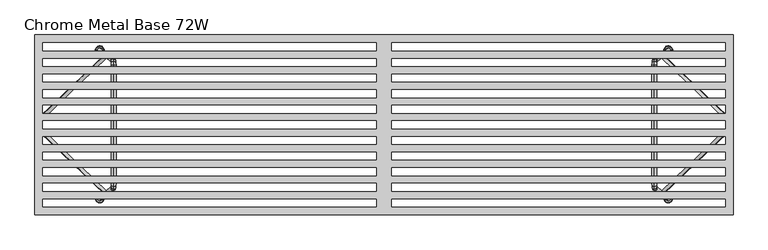
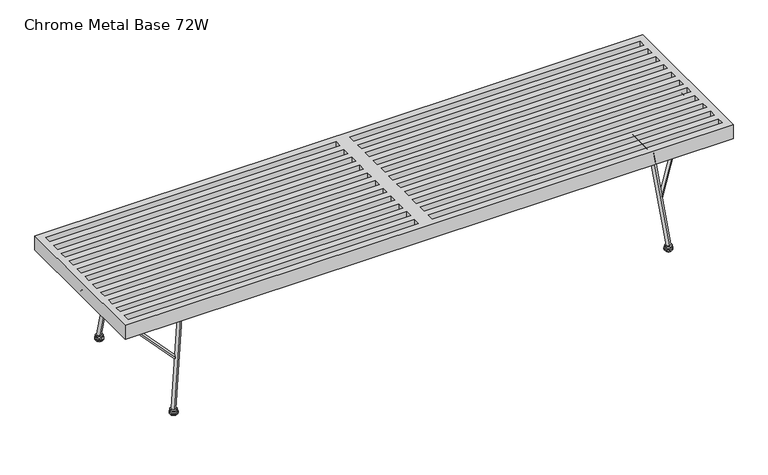
"""IFC4 building model written with IfcOpenShell, lengths in millimetres: furniture geometry, Chrome Metal Base 72W."""

from ifc_helpers import new_model, si_unit, frame, origin, place, context, project, spatial, polyline, circle_curve, ellipse_curve, outline, extrude, source, transform, mapped, element, save
from ifc_brep_helpers import plane_surface, cylinder_surface, revolved_surface, advanced_brep


def chrome_metal_base_72w_361aa959(model_context):
    return source(origin(), model_context, "Body", "SolidModel", [
        advanced_brep(
        [(744.3634341, 194.7783051, 14.6049997), (734.3434879, 194.7783051, 14.6049997), (754.3833803, 194.7783051, 14.6049997), (754.3833803, 194.7783051, 0.0), (734.3434879, 194.7783051, 0.0), (744.3634341, 194.7783051, 0.0), (756.2399712, 194.7783051, 2.998938), (732.4868971, 194.7783051, 2.998938), (756.2399712, 194.7783051, 6.526062), (732.4868971, 194.7783051, 6.526062), (754.3833803, 194.7783051, 9.525), (734.3434879, 194.7783051, 9.525)],
        [
            (0, 1),
            (1, 2, circle_curve(frame((744.3634341, 194.7783051, 14.6049997), z_axis=(0.0, 0.0, 1.0), x_axis=(-1.0, 0.0, 0.0)), 10.0199462)),
            (2, 0),
            (2, 1, circle_curve(frame((744.3634341, 194.7783051, 14.6049997), z_axis=(0.0, 0.0, 1.0), x_axis=(-1.0, 0.0, 0.0)), 10.0199462)),
            (3, 4, circle_curve(frame((744.3634341, 194.7783051, 0.0), z_axis=(0.0, 0.0, -1.0), x_axis=(-1.0, 0.0, 0.0)), 10.0199462)),
            (4, 5),
            (5, 3),
            (4, 3, circle_curve(frame((744.3634341, 194.7783051, 0.0), z_axis=(0.0, 0.0, -1.0), x_axis=(-1.0, 0.0, 0.0)), 10.0199462)),
            (6, 7, circle_curve(frame((744.3634341, 194.7783051, 2.998938), z_axis=(0.0, 0.0, -1.0), x_axis=(-1.0, 0.0, 0.0)), 11.8765371)),
            (7, 4),
            (3, 6),
            (7, 6, circle_curve(frame((744.3634341, 194.7783051, 2.998938), z_axis=(0.0, 0.0, -1.0), x_axis=(-1.0, 0.0, 0.0)), 11.8765371)),
            (8, 9, circle_curve(frame((744.3634341, 194.7783051, 6.526062), z_axis=(0.0, 0.0, -1.0), x_axis=(-1.0, 0.0, 0.0)), 11.8765371)),
            (9, 7),
            (6, 8),
            (9, 8, circle_curve(frame((744.3634341, 194.7783051, 6.526062), z_axis=(0.0, 0.0, -1.0), x_axis=(-1.0, 0.0, 0.0)), 11.8765371)),
            (10, 11, circle_curve(frame((744.3634341, 194.7783051, 9.525), z_axis=(0.0, 0.0, -1.0), x_axis=(-1.0, 0.0, 0.0)), 10.0199462)),
            (11, 9),
            (8, 10),
            (11, 10, circle_curve(frame((744.3634341, 194.7783051, 9.525), z_axis=(0.0, 0.0, -1.0), x_axis=(-1.0, 0.0, 0.0)), 10.0199462)),
            (1, 11),
            (10, 2),
        ],
        [
            plane_surface(frame((744.3634341, 194.7783051, 14.6049997), z_axis=(0.0, 0.0, 1.0), x_axis=(-1.0, 0.0, 0.0))),
            plane_surface(frame((744.3634341, 194.7783051, 0.0), z_axis=(0.0, 0.0, -1.0), x_axis=(-1.0, 0.0, 0.0))),
            revolved_surface(polyline([(734.3434879, 194.7783051, 0.0), (732.4868971, 194.7783051, 2.998938)]), (744.3634341, 194.7783051, 0.0), (0.0, 0.0, 1.0)),
            cylinder_surface(frame((744.3634341, 194.7783051, 0.0), z_axis=(0.0, 0.0, 1.0), x_axis=(-1.0, 0.0, 0.0)), 11.8765371),
            revolved_surface(polyline([(732.4868971, 194.7783051, 6.526062), (734.3434879, 194.7783051, 9.525)]), (744.3634341, 194.7783051, 0.0), (0.0, 0.0, 1.0)),
            cylinder_surface(frame((744.3634341, 194.7783051, 0.0), z_axis=(0.0, 0.0, 1.0), x_axis=(-1.0, 0.0, 0.0)), 10.0199462),
        ],
        [
            (0, [[1, 2, 3]]),
            (0, [[-3, 4, -1]]),
            (1, [[5, 6, 7]]),
            (1, [[8, -7, -6]]),
            (2, [[9, 10, -5, 11]]),
            (2, [[12, -11, -8, -10]]),
            (3, [[13, 14, -9, 15]]),
            (3, [[16, -15, -12, -14]]),
            (4, [[17, 18, -13, 19]]),
            (4, [[20, -19, -16, -18]]),
            (5, [[-2, 21, -17, 22]]),
            (5, [[-4, -22, -20, -21]]),
        ],
    ),
        advanced_brep(
        [(744.3634341, -192.8764849, 14.6049997), (734.3434879, -192.8764849, 14.6049997), (754.3833803, -192.8764849, 14.6049997), (754.3833803, -192.8764849, 0.0), (734.3434879, -192.8764849, 0.0), (744.3634341, -192.8764849, 0.0), (756.2399712, -192.8764849, 2.998938), (732.4868971, -192.8764849, 2.998938), (756.2399712, -192.8764849, 6.526062), (732.4868971, -192.8764849, 6.526062), (754.3833803, -192.8764849, 9.525), (734.3434879, -192.8764849, 9.525)],
        [
            (0, 1),
            (1, 2, circle_curve(frame((744.3634341, -192.8764849, 14.6049997), z_axis=(0.0, 0.0, 1.0), x_axis=(-1.0, 0.0, 0.0)), 10.0199462)),
            (2, 0),
            (2, 1, circle_curve(frame((744.3634341, -192.8764849, 14.6049997), z_axis=(0.0, 0.0, 1.0), x_axis=(-1.0, 0.0, 0.0)), 10.0199462)),
            (3, 4, circle_curve(frame((744.3634341, -192.8764849, 0.0), z_axis=(0.0, 0.0, -1.0), x_axis=(-1.0, 0.0, 0.0)), 10.0199462)),
            (4, 5),
            (5, 3),
            (4, 3, circle_curve(frame((744.3634341, -192.8764849, 0.0), z_axis=(0.0, 0.0, -1.0), x_axis=(-1.0, 0.0, 0.0)), 10.0199462)),
            (6, 7, circle_curve(frame((744.3634341, -192.8764849, 2.998938), z_axis=(0.0, 0.0, -1.0), x_axis=(-1.0, 0.0, 0.0)), 11.8765371)),
            (7, 4),
            (3, 6),
            (7, 6, circle_curve(frame((744.3634341, -192.8764849, 2.998938), z_axis=(0.0, 0.0, -1.0), x_axis=(-1.0, 0.0, 0.0)), 11.8765371)),
            (8, 9, circle_curve(frame((744.3634341, -192.8764849, 6.526062), z_axis=(0.0, 0.0, -1.0), x_axis=(-1.0, 0.0, 0.0)), 11.8765371)),
            (9, 7),
            (6, 8),
            (9, 8, circle_curve(frame((744.3634341, -192.8764849, 6.526062), z_axis=(0.0, 0.0, -1.0), x_axis=(-1.0, 0.0, 0.0)), 11.8765371)),
            (10, 11, circle_curve(frame((744.3634341, -192.8764849, 9.525), z_axis=(0.0, 0.0, -1.0), x_axis=(-1.0, 0.0, 0.0)), 10.0199462)),
            (11, 9),
            (8, 10),
            (11, 10, circle_curve(frame((744.3634341, -192.8764849, 9.525), z_axis=(0.0, 0.0, -1.0), x_axis=(-1.0, 0.0, 0.0)), 10.0199462)),
            (1, 11),
            (10, 2),
        ],
        [
            plane_surface(frame((744.3634341, -192.8764849, 14.6049997), z_axis=(0.0, 0.0, 1.0), x_axis=(-1.0, 0.0, 0.0))),
            plane_surface(frame((744.3634341, -192.8764849, 0.0), z_axis=(0.0, 0.0, -1.0), x_axis=(-1.0, 0.0, 0.0))),
            revolved_surface(polyline([(734.3434879, -192.8764849, 0.0), (732.4868971, -192.8764849, 2.998938)]), (744.3634341, -192.8764849, 0.0), (0.0, 0.0, 1.0)),
            cylinder_surface(frame((744.3634341, -192.8764849, 0.0), z_axis=(0.0, 0.0, 1.0), x_axis=(-1.0, 0.0, 0.0)), 11.8765371),
            revolved_surface(polyline([(732.4868971, -192.8764849, 6.526062), (734.3434879, -192.8764849, 9.525)]), (744.3634341, -192.8764849, 0.0), (0.0, 0.0, 1.0)),
            cylinder_surface(frame((744.3634341, -192.8764849, 0.0), z_axis=(0.0, 0.0, 1.0), x_axis=(-1.0, 0.0, 0.0)), 10.0199462),
        ],
        [
            (0, [[1, 2, 3]]),
            (0, [[-3, 4, -1]]),
            (1, [[5, 6, 7]]),
            (1, [[8, -7, -6]]),
            (2, [[9, 10, -5, 11]]),
            (2, [[12, -11, -8, -10]]),
            (3, [[13, 14, -9, 15]]),
            (3, [[16, -15, -12, -14]]),
            (4, [[17, 18, -13, 19]]),
            (4, [[20, -19, -16, -18]]),
            (5, [[-2, 21, -17, 22]]),
            (5, [[-4, -22, -20, -21]]),
        ],
    ),
        advanced_brep(
        [(730.2497053, -182.2751061, 164.3697765), (726.1171483, -174.5208175, 160.6929747), (730.2497053, 183.910827, 164.3697765), (726.1171483, 176.1565384, 160.6929747), (895.4495704, -12.8406609, 311.3507321), (900.1910222, -20.0135711, 315.5692774), (896.1017118, -11.8880043, 311.9309526), (902.5619083, -16.5501495, 317.6786925), (896.3049732, -10.8100889, 312.1117976), (903.4211341, -11.9935897, 318.4431595), (896.3049732, 12.4458234, 312.1117976), (903.4211341, 13.6293288, 318.4431595), (896.1017142, 13.5237217, 311.9309548), (902.5619083, 18.1858705, 317.6786925), (895.4495704, 14.4763818, 311.3507321), (900.1910222, 21.649292, 315.5692774)],
        [
            (0, 1, circle_curve(frame((728.1834268, -178.3979618, 162.5313756), z_axis=(-0.6082140995772889, -0.5807284253286233, -0.5411377875280245), x_axis=(-0.43386361116818506, 0.8140973504534563, -0.3860153764926528)), 4.762507)),
            (1, 0, circle_curve(frame((728.1834268, -178.3979618, 162.5313756), z_axis=(-0.6082140995772889, -0.5807284253286233, -0.5411377875280245), x_axis=(-0.43386361116818506, 0.8140973504534563, -0.3860153764926528)), 4.762507)),
            (2, 3, circle_curve(frame((728.1834268, 180.0336827, 162.5313756), z_axis=(-0.6082140995772779, 0.5807284253286429, -0.5411377875280159), x_axis=(-0.43386361116819955, -0.8140973504534423, -0.38601537649266576)), 4.762507)),
            (3, 2, circle_curve(frame((728.1834268, 180.0336827, 162.5313756), z_axis=(-0.6082140995772779, 0.5807284253286429, -0.5411377875280159), x_axis=(-0.43386361116819955, -0.8140973504534423, -0.38601537649266576)), 4.762507)),
            (1, 4),
            (4, 5, ellipse_curve(frame((897.8202963, -16.427116, 313.4600048), z_axis=(-0.5595311425581404, -0.6626434792452349, -0.49782378400529637), x_axis=(-0.4950625460768481, 0.7489349901118053, -0.44046504521714186)), 4.7887402, 4.762507)),
            (5, 0),
            (5, 4, ellipse_curve(frame((897.8202963, -16.427116, 313.4600048), z_axis=(-0.5595311425581404, -0.6626434792452349, -0.49782378400529637), x_axis=(-0.4950625460768481, 0.7489349901118053, -0.44046504521714186)), 4.7887402, 4.762507)),
            (4, 6),
            (6, 7, ellipse_curve(frame((899.33181, -14.2190769, 314.8048226), z_axis=(-0.3545587600520025, -0.880213172182037, -0.31545658526590026), x_axis=(-0.6576093899047603, 0.4745785198649804, -0.5850855653593355)), 4.9118798, 4.762507)),
            (7, 5),
            (7, 6, ellipse_curve(frame((899.33181, -14.2190769, 314.8048226), z_axis=(-0.3545587600520025, -0.880213172182037, -0.31545658526590026), x_axis=(-0.6576093899047603, 0.4745785198649804, -0.5850855653593355)), 4.9118798, 4.762507)),
            (6, 8),
            (8, 9, ellipse_curve(frame((899.8630536, -11.4018393, 315.2774785), z_axis=(-0.09212049477383784, -0.9923689821921577, -0.08196107384316184), x_axis=(-0.7414012668340134, 0.12330370303807127, -0.6596365350357873)), 4.7991292, 4.762507)),
            (9, 7),
            (9, 8, ellipse_curve(frame((899.8630536, -11.4018393, 315.2774785), z_axis=(-0.09212049477383784, -0.9923689821921577, -0.08196107384316184), x_axis=(-0.7414012668340134, 0.12330370303807127, -0.6596365350357873)), 4.7991292, 4.762507)),
            (8, 10),
            (10, 11, ellipse_curve(frame((899.8630536, 13.0375761, 315.2774785), z_axis=(0.09212084827773159, -0.9923689234002105, 0.08196138836121696), x_axis=(-0.7414012229104072, -0.12330417620464927, -0.6596364959562544)), 4.7991295, 4.762507)),
            (11, 9),
            (11, 10, ellipse_curve(frame((899.8630536, 13.0375761, 315.2774785), z_axis=(0.09212084827773159, -0.9923689234002105, 0.08196138836121696), x_axis=(-0.7414012229104072, -0.12330417620464927, -0.6596364959562544)), 4.7991295, 4.762507)),
            (10, 12),
            (12, 13, ellipse_curve(frame((899.3318112, 15.8547961, 314.8048237), z_axis=(0.3545590736034721, -0.8802129459004785, 0.31545686423764635), x_axis=(-0.6576092208492605, -0.4745789395550562, -0.5850854149479602)), 4.9118792, 4.762507)),
            (13, 11),
            (13, 12, ellipse_curve(frame((899.3318112, 15.8547961, 314.8048237), z_axis=(0.3545590736034721, -0.8802129459004785, 0.31545686423764635), x_axis=(-0.6576092208492605, -0.4745789395550562, -0.5850854149479602)), 4.9118792, 4.762507)),
            (12, 14),
            (14, 15, ellipse_curve(frame((897.8202963, 18.0628369, 313.4600048), z_axis=(0.5595311425581335, -0.6626434792452444, 0.49782378400529154), x_axis=(-0.4950625460768554, -0.7489349901117969, -0.440465045217148)), 4.7887402, 4.762507)),
            (15, 13),
            (15, 14, ellipse_curve(frame((897.8202963, 18.0628369, 313.4600048), z_axis=(0.5595311425581335, -0.6626434792452444, 0.49782378400529154), x_axis=(-0.4950625460768554, -0.7489349901117969, -0.440465045217148)), 4.7887402, 4.762507)),
            (14, 3),
            (2, 15),
        ],
        [
            plane_surface(frame((939.4391567, -182.1949066, -70.8356571), z_axis=(-0.6082140995772889, -0.5807284253286233, -0.5411377875280245), x_axis=(-0.6647089408000241, 0.0, 0.7471024186953955))),
            plane_surface(frame((939.4391567, 183.8306275, -70.8356571), z_axis=(-0.6082140995772783, 0.5807284253286424, -0.5411377875280157), x_axis=(-0.6647089408000243, 0.0, 0.7471024186953953))),
            cylinder_surface(frame((728.1834268, -178.3979618, 162.5313756), z_axis=(-0.6082140995772889, -0.5807284253286233, -0.5411377875280245), x_axis=(-0.43386361116818506, 0.8140973504534563, -0.3860153764926528)), 4.762507),
            cylinder_surface(frame((897.5728809, -16.7885437, 313.2398753), z_axis=(-0.5047178452517039, -0.7372984725361708, -0.44905551892868045), x_axis=(-0.5508374721321957, 0.6755671412937647, -0.49008888673299167)), 4.762507),
            cylinder_surface(frame((899.1165669, -15.3605325, 314.6133174), z_axis=(-0.1828350432755022, -0.9695923936341984, -0.16267125485822959), x_axis=(-0.7243848224327667, 0.24472554056882956, -0.644496732980349)), 4.762507),
            cylinder_surface(frame((899.8630536, -11.9813492, 315.2774785), z_axis=(0.0, -1.0, 0.0), x_axis=(-0.7471024186953935, 0.0, -0.6647089408000264)), 4.762507),
            cylinder_surface(frame((899.9690092, 12.4756856, 315.3717488), z_axis=(0.18283573405617395, -0.9695921602609858, 0.16267186945681486), x_axis=(-0.724384648079075, -0.24472646518191482, -0.6444965778550882)), 4.762507),
            cylinder_surface(frame((899.9259906, 14.9868109, 315.3334746), z_axis=(0.5047178452517028, -0.7372984725361716, 0.4490555189286807), x_axis=(-0.550837472132196, -0.6755671412937639, -0.4900888867329924)), 4.762507),
            cylinder_surface(frame((898.1184462, 17.7781606, 313.7252735), z_axis=(0.6082140995772779, -0.5807284253286429, 0.5411377875280159), x_axis=(-0.43386361116819955, -0.8140973504534423, -0.38601537649266576)), 4.762507),
        ],
        [
            (0, [[1, 2]]),
            (1, [[3, 4]]),
            (2, [[-2, 5, 6, 7]]),
            (2, [[-1, -7, 8, -5]]),
            (3, [[-6, 9, 10, 11]]),
            (3, [[-8, -11, 12, -9]]),
            (4, [[-10, 13, 14, 15]]),
            (4, [[-12, -15, 16, -13]]),
            (5, [[-14, 17, 18, 19]]),
            (5, [[-16, -19, 20, -17]]),
            (6, [[-18, 21, 22, 23]]),
            (6, [[-20, -23, 24, -21]]),
            (7, [[-22, 25, 26, 27]]),
            (7, [[-24, -27, 28, -25]]),
            (8, [[-26, 29, -3, 30]]),
            (8, [[-28, -30, -4, -29]]),
        ],
    ),
        advanced_brep(
        [(744.3933726, -198.9985468, 17.0527119), (744.5291101, -186.9715892, 15.9472188), (709.6200805, -160.444301, 300.2584487), (709.3040899, -172.3342846, 302.8319862), (709.1041191, -158.9605949, 304.4606172), (708.2655113, -169.347733, 311.29053), (708.8628599, -156.782398, 306.4255157), (707.5247729, -162.6600124, 317.3233601), (708.7276344, -152.350413, 307.5268391), (707.2556452, -153.8394148, 319.5152292), (708.7276344, 154.9783115, 307.5268391), (707.2556452, 156.4673082, 319.5152292), (708.8628604, 159.4103292, 306.4255115), (707.5247729, 165.2879376, 317.32336), (709.1041174, 161.588507, 304.4606316), (708.2655112, 171.9756623, 311.2905303), (709.620009, 163.0719946, 300.2590313), (709.3040887, 174.9621746, 302.8319957), (744.3884058, 201.5948428, 17.0931633), (744.5240028, 189.5677785, 15.988814)],
        [
            (0, 1, circle_curve(frame((744.4612413, -192.985068, 16.4999653), z_axis=(0.12135008799936231, -0.0922136423115988, -0.9883171557319925), x_axis=(0.011238016041482113, 0.9957392450695256, -0.0915262958052104)), 6.0392104)),
            (1, 0, circle_curve(frame((744.4612413, -192.985068, 16.4999653), z_axis=(0.12135008799936231, -0.0922136423115988, -0.9883171557319925), x_axis=(0.011238016041482113, 0.9957392450695256, -0.0915262958052104)), 6.0392104)),
            (1, 2),
            (2, 3, ellipse_curve(frame((709.4620852, -166.3892928, 301.5452174), z_axis=(0.11907100917549503, -0.21306400776523926, -0.9697555482537563), x_axis=(0.025965970729618634, 0.9770382431588925, -0.2114758609606625)), 6.0847074, 6.0392104)),
            (3, 0),
            (3, 2, ellipse_curve(frame((709.4620852, -166.3892928, 301.5452174), z_axis=(0.11907100917549503, -0.21306400776523926, -0.9697555482537563), x_axis=(0.025965970729618634, 0.9770382431588925, -0.2114758609606625)), 6.0847074, 6.0392104)),
            (2, 4),
            (4, 5, ellipse_curve(frame((708.6848152, -164.1541639, 307.8755736), z_axis=(0.10159761451397237, -0.552277794563909, -0.8274461688573432), x_axis=(0.06730573220062679, 0.8336601451620589, -0.5481611996313789)), 6.2298397, 6.0392104)),
            (5, 3),
            (5, 4, ellipse_curve(frame((708.6848152, -164.1541639, 307.8755736), z_axis=(0.10159761451397237, -0.552277794563909, -0.8274461688573432), x_axis=(0.06730573220062679, 0.8336601451620589, -0.5481611996313789)), 6.2298397, 6.0392104)),
            (4, 6),
            (6, 7, ellipse_curve(frame((708.1938164, -159.7212052, 311.8744379), z_axis=(0.05751616057456281, -0.8816256498570798, -0.46843153692598744), x_axis=(0.10744313907733968, 0.4719493760077253, -0.8750541459539095)), 6.2269543, 6.0392104)),
            (7, 5),
            (7, 6, ellipse_curve(frame((708.1938164, -159.7212052, 311.8744379), z_axis=(0.05751616057456281, -0.8816256498570798, -0.46843153692598744), x_axis=(0.10744313907733968, 0.4719493760077253, -0.8750541459539095)), 6.2269543, 6.0392104)),
            (6, 8),
            (8, 9, ellipse_curve(frame((707.9916398, -153.0949139, 313.5210341), z_axis=(0.0149109147102389, -0.9924868134268328, -0.12143965495815362), x_axis=(0.12095371629059558, 0.12235164557067361, -0.9850889672215614)), 6.0849276, 6.0392104)),
            (9, 7),
            (9, 8, ellipse_curve(frame((707.9916398, -153.0949139, 313.5210341), z_axis=(0.0149109147102389, -0.9924868134268328, -0.12143965495815362), x_axis=(0.12095371629059558, 0.12235164557067361, -0.9850889672215614)), 6.0849276, 6.0392104)),
            (8, 10),
            (10, 11, ellipse_curve(frame((707.9916398, 155.7228098, 313.5210341), z_axis=(-0.014910863776423882, -0.9924868649492253, 0.12143924013554719), x_axis=(0.1209537225695958, -0.12235122763281928, -0.9850890183599141)), 6.0849273, 6.0392104)),
            (11, 9),
            (11, 10, ellipse_curve(frame((707.9916398, 155.7228098, 313.5210341), z_axis=(-0.014910863776423882, -0.9924868649492253, 0.12143924013554719), x_axis=(0.1209537225695958, -0.12235122763281928, -0.9850890183599141)), 6.0849273, 6.0392104)),
            (10, 12),
            (12, 13, ellipse_curve(frame((708.1938167, 162.3491334, 311.8744357), z_axis=(-0.05751609737232197, -0.8816259274756142, 0.46843102218557275), x_axis=(0.10744317291028696, -0.47194885740169246, -0.875054421503147)), 6.2269547, 6.0392104)),
            (13, 11),
            (13, 12, ellipse_curve(frame((708.1938167, 162.3491334, 311.8744357), z_axis=(-0.05751609737232197, -0.8816259274756142, 0.46843102218557275), x_axis=(0.10744317291028696, -0.47194885740169246, -0.875054421503147)), 6.2269547, 6.0392104)),
            (12, 14),
            (14, 15, ellipse_curve(frame((708.6848143, 166.7820846, 307.8755809), z_axis=(-0.10159772999298548, -0.5522763642179269, 0.827447109358961), x_axis=(0.0673055578855409, -0.8336610927266707, -0.5481597799469508)), 6.2298429, 6.0392104)),
            (15, 13),
            (15, 14, ellipse_curve(frame((708.6848143, 166.7820846, 307.8755809), z_axis=(-0.10159772999298548, -0.5522763642179269, 0.827447109358961), x_axis=(0.0673055578855409, -0.8336610927266707, -0.5481597799469508)), 6.2298429, 6.0392104)),
            (14, 16),
            (16, 17, ellipse_curve(frame((709.4620489, 169.0170846, 301.5455135), z_axis=(-0.11907230191393131, -0.21301535924844595, 0.9697660767634497), x_axis=(0.025960041966819617, -0.9770488507358555, -0.2114275750625385)), 6.0847418, 6.0392104)),
            (17, 15),
            (17, 16, ellipse_curve(frame((709.4620489, 169.0170846, 301.5455135), z_axis=(-0.11907230191393131, -0.21301535924844595, 0.9697660767634497), x_axis=(0.025960041966819617, -0.9770488507358555, -0.2114275750625385)), 6.0847418, 6.0392104)),
            (18, 19, circle_curve(frame((744.4562043, 195.5813106, 16.5409887), z_axis=(0.12135116423924769, 0.0921182327900782, -0.988325921002486), x_axis=(0.011226388545799245, -0.9957480761656702, -0.0914315974517879)), 6.0392104)),
            (19, 18, circle_curve(frame((744.4562043, 195.5813106, 16.5409887), z_axis=(0.12135116423924769, 0.0921182327900782, -0.988325921002486), x_axis=(0.011226388545799245, -0.9957480761656702, -0.0914315974517879)), 6.0392104)),
            (16, 19),
            (18, 17),
        ],
        [
            plane_surface(frame((-1797.1476348, -199.1986281, -294.9906164), z_axis=(0.12135008799936234, -0.09221364231159881, -0.9883171557319927), x_axis=(-0.9925461516413222, 0.0, -0.12186934340514674))),
            cylinder_surface(frame((744.4612413, -192.985068, 16.4999653), z_axis=(0.12135008799936234, -0.09221364231159881, -0.9883171557319927), x_axis=(0.011238016041482113, 0.9957392450695256, -0.0915262958052104)), 6.0392104),
            cylinder_surface(frame((709.550346, -166.6430969, 300.8263907), z_axis=(0.11501127838416685, -0.33072809935381914, -0.9366916942848645), x_axis=(0.040305616313852856, 0.943726085417697, -0.3282629022532855)), 6.0392104),
            cylinder_surface(frame((708.8143392, -165.3235653, 306.8206851), z_axis=(0.08196630072156186, -0.7400287632700446, -0.6675619484954418), x_axis=(0.09018681948062926, 0.6725752222116188, -0.7345127010875715)), 6.0392104),
            cylinder_surface(frame((708.2402264, -161.2422806, 311.4964592), z_axis=(0.029597772452086966, -0.970060149652297, -0.24105451234614464), x_axis=(0.11822059350162499, 0.2428647896599322, -0.9628294683979923)), 6.0392104),
            cylinder_surface(frame((707.9916398, -153.8641859, 313.5210341), z_axis=(0.0, -1.0000000000000002, 0.0), x_axis=(0.12186934340514798, 0.0, -0.992546151641322)), 6.0392104),
            cylinder_surface(frame((707.9688712, 154.9765721, 313.7064694), z_axis=(-0.029597672886297426, -0.9700603541934839, 0.24105370144789), x_axis=(0.11822061842892516, -0.2428639726719728, -0.9628296714145601)), 6.0392104),
            cylinder_surface(frame((708.0652916, 161.1887506, 312.9211881), z_axis=(-0.08196627057439637, -0.7400289880938992, 0.6675617029674821), x_axis=(0.09018684687979442, -0.6725749748397719, -0.7345129242356194)), 6.0392104),
            cylinder_surface(frame((708.5030704, 166.2594657, 309.3557659), z_axis=(-0.11501143016446065, -0.3307245455093971, 0.9366929304361853), x_axis=(0.04030518320922602, -0.943727330852298, -0.32825937489867363)), 6.0392104),
            plane_surface(frame((-1797.1525993, 201.7949258, -294.950184), z_axis=(0.12135116423924776, 0.09211823279007894, -0.988325921002486), x_axis=(-0.9925461516413219, 0.0, -0.12186934340514899))),
            cylinder_surface(frame((709.3688874, 168.9463653, 302.304253), z_axis=(-0.12135116423924772, -0.09211823279007822, 0.9883259210024862), x_axis=(0.011226388545799245, -0.9957480761656702, -0.0914315974517879)), 6.0392104),
        ],
        [
            (0, [[1, 2]]),
            (1, [[-2, 3, 4, 5]]),
            (1, [[-1, -5, 6, -3]]),
            (2, [[-4, 7, 8, 9]]),
            (2, [[-6, -9, 10, -7]]),
            (3, [[-8, 11, 12, 13]]),
            (3, [[-10, -13, 14, -11]]),
            (4, [[-12, 15, 16, 17]]),
            (4, [[-14, -17, 18, -15]]),
            (5, [[-16, 19, 20, 21]]),
            (5, [[-18, -21, 22, -19]]),
            (6, [[-20, 23, 24, 25]]),
            (6, [[-22, -25, 26, -23]]),
            (7, [[-24, 27, 28, 29]]),
            (7, [[-26, -29, 30, -27]]),
            (8, [[-28, 31, 32, 33]]),
            (8, [[-30, -33, 34, -31]]),
            (9, [[35, 36]]),
            (10, [[-32, 37, -35, 38]]),
            (10, [[-34, -38, -36, -37]]),
        ],
    ),
        advanced_brep(
        [(-754.3833803, 194.7783051, 14.6049997), (-734.3434879, 194.7783051, 14.6049997), (-744.3634341, 194.7783051, 14.6049997), (-744.3634341, 194.7783051, 0.0), (-734.3434879, 194.7783051, 0.0), (-754.3833803, 194.7783051, 0.0), (-732.4868971, 194.7783051, 2.998938), (-756.2399712, 194.7783051, 2.998938), (-732.4868971, 194.7783051, 6.526062), (-756.2399712, 194.7783051, 6.526062), (-734.3434879, 194.7783051, 9.525), (-754.3833803, 194.7783051, 9.525)],
        [
            (0, 1, circle_curve(frame((-744.3634341, 194.7783051, 14.6049997), z_axis=(0.0, 0.0, 1.0), x_axis=(1.0, 0.0, 0.0)), 10.0199462)),
            (1, 2),
            (2, 0),
            (1, 0, circle_curve(frame((-744.3634341, 194.7783051, 14.6049997), z_axis=(0.0, 0.0, 1.0), x_axis=(1.0, 0.0, 0.0)), 10.0199462)),
            (3, 4),
            (4, 5, circle_curve(frame((-744.3634341, 194.7783051, 0.0), z_axis=(0.0, 0.0, -1.0), x_axis=(1.0, 0.0, 0.0)), 10.0199462)),
            (5, 3),
            (5, 4, circle_curve(frame((-744.3634341, 194.7783051, 0.0), z_axis=(0.0, 0.0, -1.0), x_axis=(1.0, 0.0, 0.0)), 10.0199462)),
            (4, 6),
            (6, 7, circle_curve(frame((-744.3634341, 194.7783051, 2.998938), z_axis=(0.0, 0.0, -1.0), x_axis=(1.0, 0.0, 0.0)), 11.8765371)),
            (7, 5),
            (7, 6, circle_curve(frame((-744.3634341, 194.7783051, 2.998938), z_axis=(0.0, 0.0, -1.0), x_axis=(1.0, 0.0, 0.0)), 11.8765371)),
            (6, 8),
            (8, 9, circle_curve(frame((-744.3634341, 194.7783051, 6.526062), z_axis=(0.0, 0.0, -1.0), x_axis=(1.0, 0.0, 0.0)), 11.8765371)),
            (9, 7),
            (9, 8, circle_curve(frame((-744.3634341, 194.7783051, 6.526062), z_axis=(0.0, 0.0, -1.0), x_axis=(1.0, 0.0, 0.0)), 11.8765371)),
            (8, 10),
            (10, 11, circle_curve(frame((-744.3634341, 194.7783051, 9.525), z_axis=(0.0, 0.0, -1.0), x_axis=(1.0, 0.0, 0.0)), 10.0199462)),
            (11, 9),
            (11, 10, circle_curve(frame((-744.3634341, 194.7783051, 9.525), z_axis=(0.0, 0.0, -1.0), x_axis=(1.0, 0.0, 0.0)), 10.0199462)),
            (10, 1),
            (0, 11),
        ],
        [
            plane_surface(frame((-744.3634341, 194.7783051, 14.6049997), z_axis=(0.0, 0.0, 1.0), x_axis=(1.0, 0.0, 0.0))),
            plane_surface(frame((-744.3634341, 194.7783051, 0.0), z_axis=(0.0, 0.0, -1.0), x_axis=(1.0, 0.0, 0.0))),
            revolved_surface(polyline([(-732.4868971, 194.7783051, 2.998938), (-734.3434879, 194.7783051, 0.0)]), (-744.3634341, 194.7783051, 0.0), (0.0, 0.0, -1.0)),
            cylinder_surface(frame((-744.3634341, 194.7783051, 0.0), z_axis=(0.0, 0.0, -1.0), x_axis=(1.0, 0.0, 0.0)), 11.8765371),
            revolved_surface(polyline([(-734.3434879, 194.7783051, 9.525), (-732.4868971, 194.7783051, 6.526062)]), (-744.3634341, 194.7783051, 0.0), (0.0, 0.0, -1.0)),
            cylinder_surface(frame((-744.3634341, 194.7783051, 0.0), z_axis=(0.0, 0.0, -1.0), x_axis=(1.0, 0.0, 0.0)), 10.0199462),
        ],
        [
            (0, [[1, 2, 3]]),
            (0, [[4, -3, -2]]),
            (1, [[5, 6, 7]]),
            (1, [[-7, 8, -5]]),
            (2, [[-6, 9, 10, 11]]),
            (2, [[-8, -11, 12, -9]]),
            (3, [[-10, 13, 14, 15]]),
            (3, [[-12, -15, 16, -13]]),
            (4, [[-14, 17, 18, 19]]),
            (4, [[-16, -19, 20, -17]]),
            (5, [[-18, 21, -1, 22]]),
            (5, [[-20, -22, -4, -21]]),
        ],
    ),
        advanced_brep(
        [(-754.3833803, -192.8764849, 14.6049997), (-734.3434879, -192.8764849, 14.6049997), (-744.3634341, -192.8764849, 14.6049997), (-744.3634341, -192.8764849, 0.0), (-734.3434879, -192.8764849, 0.0), (-754.3833803, -192.8764849, 0.0), (-732.4868971, -192.8764849, 2.998938), (-756.2399712, -192.8764849, 2.998938), (-732.4868971, -192.8764849, 6.526062), (-756.2399712, -192.8764849, 6.526062), (-734.3434879, -192.8764849, 9.525), (-754.3833803, -192.8764849, 9.525)],
        [
            (0, 1, circle_curve(frame((-744.3634341, -192.8764849, 14.6049997), z_axis=(0.0, 0.0, 1.0), x_axis=(1.0, 0.0, 0.0)), 10.0199462)),
            (1, 2),
            (2, 0),
            (1, 0, circle_curve(frame((-744.3634341, -192.8764849, 14.6049997), z_axis=(0.0, 0.0, 1.0), x_axis=(1.0, 0.0, 0.0)), 10.0199462)),
            (3, 4),
            (4, 5, circle_curve(frame((-744.3634341, -192.8764849, 0.0), z_axis=(0.0, 0.0, -1.0), x_axis=(1.0, 0.0, 0.0)), 10.0199462)),
            (5, 3),
            (5, 4, circle_curve(frame((-744.3634341, -192.8764849, 0.0), z_axis=(0.0, 0.0, -1.0), x_axis=(1.0, 0.0, 0.0)), 10.0199462)),
            (4, 6),
            (6, 7, circle_curve(frame((-744.3634341, -192.8764849, 2.998938), z_axis=(0.0, 0.0, -1.0), x_axis=(1.0, 0.0, 0.0)), 11.8765371)),
            (7, 5),
            (7, 6, circle_curve(frame((-744.3634341, -192.8764849, 2.998938), z_axis=(0.0, 0.0, -1.0), x_axis=(1.0, 0.0, 0.0)), 11.8765371)),
            (6, 8),
            (8, 9, circle_curve(frame((-744.3634341, -192.8764849, 6.526062), z_axis=(0.0, 0.0, -1.0), x_axis=(1.0, 0.0, 0.0)), 11.8765371)),
            (9, 7),
            (9, 8, circle_curve(frame((-744.3634341, -192.8764849, 6.526062), z_axis=(0.0, 0.0, -1.0), x_axis=(1.0, 0.0, 0.0)), 11.8765371)),
            (8, 10),
            (10, 11, circle_curve(frame((-744.3634341, -192.8764849, 9.525), z_axis=(0.0, 0.0, -1.0), x_axis=(1.0, 0.0, 0.0)), 10.0199462)),
            (11, 9),
            (11, 10, circle_curve(frame((-744.3634341, -192.8764849, 9.525), z_axis=(0.0, 0.0, -1.0), x_axis=(1.0, 0.0, 0.0)), 10.0199462)),
            (10, 1),
            (0, 11),
        ],
        [
            plane_surface(frame((-744.3634341, -192.8764849, 14.6049997), z_axis=(0.0, 0.0, 1.0), x_axis=(1.0, 0.0, 0.0))),
            plane_surface(frame((-744.3634341, -192.8764849, 0.0), z_axis=(0.0, 0.0, -1.0), x_axis=(1.0, 0.0, 0.0))),
            revolved_surface(polyline([(-732.4868971, -192.8764849, 2.998938), (-734.3434879, -192.8764849, 0.0)]), (-744.3634341, -192.8764849, 0.0), (0.0, 0.0, -1.0)),
            cylinder_surface(frame((-744.3634341, -192.8764849, 0.0), z_axis=(0.0, 0.0, -1.0), x_axis=(1.0, 0.0, 0.0)), 11.8765371),
            revolved_surface(polyline([(-734.3434879, -192.8764849, 9.525), (-732.4868971, -192.8764849, 6.526062)]), (-744.3634341, -192.8764849, 0.0), (0.0, 0.0, -1.0)),
            cylinder_surface(frame((-744.3634341, -192.8764849, 0.0), z_axis=(0.0, 0.0, -1.0), x_axis=(1.0, 0.0, 0.0)), 10.0199462),
        ],
        [
            (0, [[1, 2, 3]]),
            (0, [[4, -3, -2]]),
            (1, [[5, 6, 7]]),
            (1, [[-7, 8, -5]]),
            (2, [[-6, 9, 10, 11]]),
            (2, [[-8, -11, 12, -9]]),
            (3, [[-10, 13, 14, 15]]),
            (3, [[-12, -15, 16, -13]]),
            (4, [[-14, 17, 18, 19]]),
            (4, [[-16, -19, 20, -17]]),
            (5, [[-18, 21, -1, 22]]),
            (5, [[-20, -22, -4, -21]]),
        ],
    ),
        advanced_brep(
        [(-726.1171983, -174.5208175, 160.6929747), (-730.2497552, -182.2751061, 164.3697765), (-726.1171983, 176.1565384, 160.6929747), (-730.2497552, 183.910827, 164.3697765), (-895.4496204, -12.8406609, 311.3507321), (-900.1910722, -20.0135711, 315.5692774), (-896.1017617, -11.8880043, 311.9309526), (-902.5619582, -16.5501495, 317.6786925), (-896.3050231, -10.8100889, 312.1117976), (-903.421184, -11.9935897, 318.4431595), (-896.3050231, 12.4458234, 312.1117976), (-903.421184, 13.6293288, 318.4431595), (-896.1017641, 13.5237217, 311.9309548), (-902.5619582, 18.1858705, 317.6786925), (-895.4496204, 14.4763818, 311.3507321), (-900.1910722, 21.649292, 315.5692774)],
        [
            (0, 1, circle_curve(frame((-728.1834768, -178.3979618, 162.5313756), z_axis=(0.6082140995772888, -0.5807284253286236, -0.5411377875280245), x_axis=(-0.4338636111681852, -0.8140973504534562, 0.3860153764926528)), 4.762507)),
            (1, 0, circle_curve(frame((-728.1834768, -178.3979618, 162.5313756), z_axis=(0.6082140995772888, -0.5807284253286236, -0.5411377875280245), x_axis=(-0.4338636111681852, -0.8140973504534562, 0.3860153764926528)), 4.762507)),
            (2, 3, circle_curve(frame((-728.1834768, 180.0336827, 162.5313756), z_axis=(0.6082140995772781, 0.5807284253286428, -0.5411377875280158), x_axis=(-0.4338636111681996, 0.8140973504534424, 0.3860153764926655)), 4.762507)),
            (3, 2, circle_curve(frame((-728.1834768, 180.0336827, 162.5313756), z_axis=(0.6082140995772781, 0.5807284253286428, -0.5411377875280158), x_axis=(-0.4338636111681996, 0.8140973504534424, 0.3860153764926655)), 4.762507)),
            (0, 4),
            (4, 5, ellipse_curve(frame((-897.8203463, -16.427116, 313.4600048), z_axis=(0.5595311425581402, -0.6626434792452349, -0.4978237840052965), x_axis=(0.49506254607685, 0.7489349901118045, -0.440465045217141)), 4.7887402, 4.762507)),
            (5, 1),
            (5, 4, ellipse_curve(frame((-897.8203463, -16.427116, 313.4600048), z_axis=(0.5595311425581402, -0.6626434792452349, -0.4978237840052965), x_axis=(0.49506254607685, 0.7489349901118045, -0.440465045217141)), 4.7887402, 4.762507)),
            (4, 6),
            (6, 7, ellipse_curve(frame((-899.33186, -14.2190769, 314.8048226), z_axis=(0.35455876005200243, -0.880213172182037, -0.3154565852659005), x_axis=(0.6576093899047604, 0.4745785198649806, -0.5850855653593355)), 4.9118798, 4.762507)),
            (7, 5),
            (7, 6, ellipse_curve(frame((-899.33186, -14.2190769, 314.8048226), z_axis=(0.35455876005200243, -0.880213172182037, -0.3154565852659005), x_axis=(0.6576093899047604, 0.4745785198649806, -0.5850855653593355)), 4.9118798, 4.762507)),
            (6, 8),
            (8, 9, ellipse_curve(frame((-899.8631036, -11.4018393, 315.2774785), z_axis=(0.09212049477383778, -0.9923689821921576, -0.08196107384316191), x_axis=(0.7414012668340134, 0.12330370303806949, -0.6596365350357875)), 4.7991292, 4.762507)),
            (9, 7),
            (9, 8, ellipse_curve(frame((-899.8631036, -11.4018393, 315.2774785), z_axis=(0.09212049477383778, -0.9923689821921576, -0.08196107384316191), x_axis=(0.7414012668340134, 0.12330370303806949, -0.6596365350357875)), 4.7991292, 4.762507)),
            (8, 10),
            (10, 11, ellipse_curve(frame((-899.8631036, 13.0375761, 315.2774785), z_axis=(-0.09212084827773163, -0.9923689234002105, 0.08196138836121686), x_axis=(0.7414012229104072, -0.12330417620464927, -0.6596364959562544)), 4.7991295, 4.762507)),
            (11, 9),
            (11, 10, ellipse_curve(frame((-899.8631036, 13.0375761, 315.2774785), z_axis=(-0.09212084827773163, -0.9923689234002105, 0.08196138836121686), x_axis=(0.7414012229104072, -0.12330417620464927, -0.6596364959562544)), 4.7991295, 4.762507)),
            (10, 12),
            (12, 13, ellipse_curve(frame((-899.3318612, 15.8547961, 314.8048237), z_axis=(-0.3545590736034722, -0.8802129459004785, 0.3154568642376463), x_axis=(0.6576092208492607, -0.47457893955505587, -0.5850854149479603)), 4.9118792, 4.762507)),
            (13, 11),
            (13, 12, ellipse_curve(frame((-899.3318612, 15.8547961, 314.8048237), z_axis=(-0.3545590736034722, -0.8802129459004785, 0.3154568642376463), x_axis=(0.6576092208492607, -0.47457893955505587, -0.5850854149479603)), 4.9118792, 4.762507)),
            (12, 14),
            (14, 15, ellipse_curve(frame((-897.8203463, 18.0628369, 313.4600048), z_axis=(-0.5595311425581336, -0.6626434792452442, 0.49782378400529137), x_axis=(0.495062546076856, -0.7489349901117972, -0.4404650452171465)), 4.7887402, 4.762507)),
            (15, 13),
            (15, 14, ellipse_curve(frame((-897.8203463, 18.0628369, 313.4600048), z_axis=(-0.5595311425581336, -0.6626434792452442, 0.49782378400529137), x_axis=(0.495062546076856, -0.7489349901117972, -0.4404650452171465)), 4.7887402, 4.762507)),
            (14, 2),
            (3, 15),
        ],
        [
            plane_surface(frame((-939.4392067, -182.1949066, -70.8356571), z_axis=(0.6082140995772888, -0.5807284253286233, -0.5411377875280247), x_axis=(0.6647089408000243, 0.0, 0.7471024186953955))),
            plane_surface(frame((-939.4392067, 183.8306275, -70.8356571), z_axis=(0.6082140995772788, 0.5807284253286422, -0.5411377875280157), x_axis=(0.6647089408000241, 0.0, 0.7471024186953955))),
            cylinder_surface(frame((-728.1834768, -178.3979618, 162.5313756), z_axis=(0.6082140995772888, -0.5807284253286236, -0.5411377875280245), x_axis=(-0.4338636111681852, -0.8140973504534562, 0.3860153764926528)), 4.762507),
            cylinder_surface(frame((-897.5729308, -16.7885437, 313.2398753), z_axis=(0.5047178452517038, -0.7372984725361708, -0.4490555189286806), x_axis=(-0.5508374721321957, -0.6755671412937647, 0.49008888673299167)), 4.762507),
            cylinder_surface(frame((-899.1166169, -15.3605325, 314.6133174), z_axis=(0.18283504327550215, -0.9695923936341985, -0.16267125485822967), x_axis=(-0.7243848224327669, -0.24472554056882959, 0.6444967329803489)), 4.762507),
            cylinder_surface(frame((-899.8631036, -11.9813492, 315.2774785), z_axis=(0.0, -1.0000000000000002, 0.0), x_axis=(-0.7471024186953937, 0.0, 0.6647089408000263)), 4.762507),
            cylinder_surface(frame((-899.9690591, 12.4756856, 315.3717488), z_axis=(-0.18283573405617404, -0.9695921602609859, 0.16267186945681478), x_axis=(-0.7243846480790752, 0.24472646518191482, 0.6444965778550881)), 4.762507),
            cylinder_surface(frame((-899.9260406, 14.9868109, 315.3334746), z_axis=(-0.5047178452517029, -0.7372984725361718, 0.4490555189286807), x_axis=(-0.5508374721321962, 0.675567141293764, 0.49008888673299233)), 4.762507),
            cylinder_surface(frame((-898.1184962, 17.7781606, 313.7252735), z_axis=(-0.6082140995772781, -0.5807284253286428, 0.5411377875280158), x_axis=(-0.4338636111681996, 0.8140973504534424, 0.3860153764926655)), 4.762507),
        ],
        [
            (0, [[1, 2]]),
            (1, [[3, 4]]),
            (2, [[-1, 5, 6, 7]]),
            (2, [[-2, -7, 8, -5]]),
            (3, [[-6, 9, 10, 11]]),
            (3, [[-8, -11, 12, -9]]),
            (4, [[-10, 13, 14, 15]]),
            (4, [[-12, -15, 16, -13]]),
            (5, [[-14, 17, 18, 19]]),
            (5, [[-16, -19, 20, -17]]),
            (6, [[-18, 21, 22, 23]]),
            (6, [[-20, -23, 24, -21]]),
            (7, [[-22, 25, 26, 27]]),
            (7, [[-24, -27, 28, -25]]),
            (8, [[-26, 29, -4, 30]]),
            (8, [[-28, -30, -3, -29]]),
        ],
    ),
        advanced_brep(
        [(-744.5291101, -186.9715892, 15.9472188), (-744.3933726, -198.9985468, 17.0527119), (-709.6200805, -160.444301, 300.2584487), (-709.3040899, -172.3342846, 302.8319862), (-709.1041191, -158.9605949, 304.4606172), (-708.2655113, -169.347733, 311.29053), (-708.8628599, -156.782398, 306.4255157), (-707.5247729, -162.6600124, 317.3233601), (-708.7276344, -152.350413, 307.5268391), (-707.2556452, -153.8394148, 319.5152292), (-708.7276344, 154.9783115, 307.5268391), (-707.2556452, 156.4673082, 319.5152292), (-708.8628604, 159.4103292, 306.4255115), (-707.5247729, 165.2879376, 317.32336), (-709.1041173, 161.588507, 304.4606316), (-708.2655112, 171.9756623, 311.2905303), (-709.620009, 163.0719946, 300.2590313), (-709.3040887, 174.9621746, 302.8319957), (-744.5240028, 189.5677785, 15.988814), (-744.3884058, 201.5948428, 17.0931633)],
        [
            (0, 1, circle_curve(frame((-744.4612413, -192.985068, 16.4999653), z_axis=(-0.12135008799936231, -0.0922136423115988, -0.9883171557319925), x_axis=(0.011238016041482113, -0.9957392450695256, 0.0915262958052104)), 6.0392104)),
            (1, 0, circle_curve(frame((-744.4612413, -192.985068, 16.4999653), z_axis=(-0.12135008799936231, -0.0922136423115988, -0.9883171557319925), x_axis=(0.011238016041482113, -0.9957392450695256, 0.0915262958052104)), 6.0392104)),
            (0, 2),
            (2, 3, ellipse_curve(frame((-709.4620852, -166.3892928, 301.5452174), z_axis=(-0.11907100917549503, -0.21306400776523926, -0.9697555482537563), x_axis=(-0.025965970729618634, 0.9770382431588925, -0.2114758609606625)), 6.0847074, 6.0392104)),
            (3, 1),
            (3, 2, ellipse_curve(frame((-709.4620852, -166.3892928, 301.5452174), z_axis=(-0.11907100917549503, -0.21306400776523926, -0.9697555482537563), x_axis=(-0.025965970729618634, 0.9770382431588925, -0.2114758609606625)), 6.0847074, 6.0392104)),
            (2, 4),
            (4, 5, ellipse_curve(frame((-708.6848152, -164.1541639, 307.8755736), z_axis=(-0.10159761451397237, -0.552277794563909, -0.8274461688573432), x_axis=(-0.06730573220062679, 0.8336601451620589, -0.5481611996313789)), 6.2298397, 6.0392104)),
            (5, 3),
            (5, 4, ellipse_curve(frame((-708.6848152, -164.1541639, 307.8755736), z_axis=(-0.10159761451397237, -0.552277794563909, -0.8274461688573432), x_axis=(-0.06730573220062679, 0.8336601451620589, -0.5481611996313789)), 6.2298397, 6.0392104)),
            (4, 6),
            (6, 7, ellipse_curve(frame((-708.1938164, -159.7212052, 311.8744379), z_axis=(-0.05751616057456281, -0.8816256498570798, -0.46843153692598744), x_axis=(-0.10744313907733968, 0.4719493760077253, -0.8750541459539095)), 6.2269543, 6.0392104)),
            (7, 5),
            (7, 6, ellipse_curve(frame((-708.1938164, -159.7212052, 311.8744379), z_axis=(-0.05751616057456281, -0.8816256498570798, -0.46843153692598744), x_axis=(-0.10744313907733968, 0.4719493760077253, -0.8750541459539095)), 6.2269543, 6.0392104)),
            (6, 8),
            (8, 9, ellipse_curve(frame((-707.9916398, -153.0949139, 313.5210341), z_axis=(-0.0149109147102389, -0.9924868134268328, -0.12143965495815362), x_axis=(-0.12095371629059558, 0.12235164557067361, -0.9850889672215614)), 6.0849276, 6.0392104)),
            (9, 7),
            (9, 8, ellipse_curve(frame((-707.9916398, -153.0949139, 313.5210341), z_axis=(-0.0149109147102389, -0.9924868134268328, -0.12143965495815362), x_axis=(-0.12095371629059558, 0.12235164557067361, -0.9850889672215614)), 6.0849276, 6.0392104)),
            (8, 10),
            (10, 11, ellipse_curve(frame((-707.9916398, 155.7228098, 313.5210341), z_axis=(0.014910863776423882, -0.9924868649492253, 0.12143924013554719), x_axis=(-0.1209537225695958, -0.12235122763281928, -0.9850890183599141)), 6.0849273, 6.0392104)),
            (11, 9),
            (11, 10, ellipse_curve(frame((-707.9916398, 155.7228098, 313.5210341), z_axis=(0.014910863776423882, -0.9924868649492253, 0.12143924013554719), x_axis=(-0.1209537225695958, -0.12235122763281928, -0.9850890183599141)), 6.0849273, 6.0392104)),
            (10, 12),
            (12, 13, ellipse_curve(frame((-708.1938167, 162.3491334, 311.8744357), z_axis=(0.05751609737232197, -0.8816259274756142, 0.46843102218557275), x_axis=(-0.10744317291028696, -0.47194885740169246, -0.875054421503147)), 6.2269547, 6.0392104)),
            (13, 11),
            (13, 12, ellipse_curve(frame((-708.1938167, 162.3491334, 311.8744357), z_axis=(0.05751609737232197, -0.8816259274756142, 0.46843102218557275), x_axis=(-0.10744317291028696, -0.47194885740169246, -0.875054421503147)), 6.2269547, 6.0392104)),
            (12, 14),
            (14, 15, ellipse_curve(frame((-708.6848143, 166.7820846, 307.8755809), z_axis=(0.10159772999298548, -0.5522763642179269, 0.827447109358961), x_axis=(-0.0673055578855409, -0.8336610927266707, -0.5481597799469508)), 6.2298429, 6.0392104)),
            (15, 13),
            (15, 14, ellipse_curve(frame((-708.6848143, 166.7820846, 307.8755809), z_axis=(0.10159772999298548, -0.5522763642179269, 0.827447109358961), x_axis=(-0.0673055578855409, -0.8336610927266707, -0.5481597799469508)), 6.2298429, 6.0392104)),
            (14, 16),
            (16, 17, ellipse_curve(frame((-709.4620489, 169.0170846, 301.5455135), z_axis=(0.11907230191393131, -0.21301535924844595, 0.9697660767634497), x_axis=(-0.025960041966819617, -0.9770488507358555, -0.2114275750625385)), 6.0847418, 6.0392104)),
            (17, 15),
            (17, 16, ellipse_curve(frame((-709.4620489, 169.0170846, 301.5455135), z_axis=(0.11907230191393131, -0.21301535924844595, 0.9697660767634497), x_axis=(-0.025960041966819617, -0.9770488507358555, -0.2114275750625385)), 6.0847418, 6.0392104)),
            (18, 19, circle_curve(frame((-744.4562043, 195.5813106, 16.5409887), z_axis=(-0.12135116423924769, 0.0921182327900782, -0.988325921002486), x_axis=(0.011226388545799245, 0.9957480761656702, 0.0914315974517879)), 6.0392104)),
            (19, 18, circle_curve(frame((-744.4562043, 195.5813106, 16.5409887), z_axis=(-0.12135116423924769, 0.0921182327900782, -0.988325921002486), x_axis=(0.011226388545799245, 0.9957480761656702, 0.0914315974517879)), 6.0392104)),
            (16, 18),
            (19, 17),
        ],
        [
            plane_surface(frame((1797.1476348, -199.1986281, -294.9906164), z_axis=(-0.12135008799936234, -0.09221364231159881, -0.9883171557319927), x_axis=(0.9925461516413222, 0.0, -0.12186934340514674))),
            cylinder_surface(frame((-744.4612413, -192.985068, 16.4999653), z_axis=(-0.12135008799936234, -0.09221364231159881, -0.9883171557319927), x_axis=(0.011238016041482113, -0.9957392450695256, 0.0915262958052104)), 6.0392104),
            cylinder_surface(frame((-709.550346, -166.6430969, 300.8263907), z_axis=(-0.11501127838416685, -0.33072809935381914, -0.9366916942848645), x_axis=(0.040305616313852856, -0.943726085417697, 0.3282629022532855)), 6.0392104),
            cylinder_surface(frame((-708.8143392, -165.3235653, 306.8206851), z_axis=(-0.08196630072156186, -0.7400287632700446, -0.6675619484954418), x_axis=(0.09018681948062926, -0.6725752222116188, 0.7345127010875715)), 6.0392104),
            cylinder_surface(frame((-708.2402264, -161.2422806, 311.4964592), z_axis=(-0.029597772452086966, -0.970060149652297, -0.24105451234614464), x_axis=(0.11822059350162499, -0.2428647896599322, 0.9628294683979923)), 6.0392104),
            cylinder_surface(frame((-707.9916398, -153.8641859, 313.5210341), z_axis=(0.0, -1.0000000000000002, 0.0), x_axis=(0.12186934340514798, 0.0, 0.992546151641322)), 6.0392104),
            cylinder_surface(frame((-707.9688712, 154.9765721, 313.7064694), z_axis=(0.029597672886297426, -0.9700603541934839, 0.24105370144789), x_axis=(0.11822061842892516, 0.2428639726719728, 0.9628296714145601)), 6.0392104),
            cylinder_surface(frame((-708.0652916, 161.1887506, 312.9211881), z_axis=(0.08196627057439637, -0.7400289880938992, 0.6675617029674821), x_axis=(0.09018684687979442, 0.6725749748397719, 0.7345129242356194)), 6.0392104),
            cylinder_surface(frame((-708.5030704, 166.2594657, 309.3557659), z_axis=(0.11501143016446065, -0.3307245455093971, 0.9366929304361853), x_axis=(0.04030518320922602, 0.943727330852298, 0.32825937489867363)), 6.0392104),
            plane_surface(frame((1797.1525993, 201.7949258, -294.950184), z_axis=(-0.12135116423924776, 0.09211823279007894, -0.988325921002486), x_axis=(0.9925461516413219, 0.0, -0.12186934340514899))),
            cylinder_surface(frame((-709.3688873, 168.9463653, 302.304253), z_axis=(0.12135116423924772, -0.09211823279007822, 0.9883259210024862), x_axis=(0.011226388545799245, 0.9957480761656702, 0.0914315974517879)), 6.0392104),
        ],
        [
            (0, [[1, 2]]),
            (1, [[-1, 3, 4, 5]]),
            (1, [[-2, -5, 6, -3]]),
            (2, [[-4, 7, 8, 9]]),
            (2, [[-6, -9, 10, -7]]),
            (3, [[-8, 11, 12, 13]]),
            (3, [[-10, -13, 14, -11]]),
            (4, [[-12, 15, 16, 17]]),
            (4, [[-14, -17, 18, -15]]),
            (5, [[-16, 19, 20, 21]]),
            (5, [[-18, -21, 22, -19]]),
            (6, [[-20, 23, 24, 25]]),
            (6, [[-22, -25, 26, -23]]),
            (7, [[-24, 27, 28, 29]]),
            (7, [[-26, -29, 30, -27]]),
            (8, [[-28, 31, 32, 33]]),
            (8, [[-30, -33, 34, -31]]),
            (9, [[35, 36]]),
            (10, [[-32, 37, -36, 38]]),
            (10, [[-34, -38, -35, -37]]),
        ],
    ),
        extrude(outline(polyline([(914.4, 235.3437), (914.4, -235.3436166), (-914.4, -235.3436166), (-914.4, 235.3437), (914.4, 235.3437)]), holes=[polyline([(-20.637506, 214.1613029), (-893.8768098, 214.1613029), (-893.8768098, 193.819728), (-20.637506, 193.819728), (-20.637506, 214.1613029)]), polyline([(20.637506, 193.819728), (893.8768098, 193.819728), (893.8768098, 214.1613029), (20.637506, 214.1613029), (20.637506, 193.819728)]), polyline([(-893.8768098, 152.9561544), (-20.637506, 152.9561544), (-20.637506, 173.2977293), (-893.8768098, 173.2977293), (-893.8768098, 152.9561544)]), polyline([(-893.8768098, 112.0924423), (-20.637506, 112.0924423), (-20.637506, 132.4340172), (-893.8768098, 132.4340172), (-893.8768098, 112.0924423)]), polyline([(-893.8768098, 71.2288573), (-20.637506, 71.2288573), (-20.637506, 91.5704323), (-893.8768098, 91.5704323), (-893.8768098, 71.2288573)]), polyline([(-893.8768098, 30.3652633), (-20.637506, 30.3652633), (-20.637506, 50.7068382), (-893.8768098, 50.7068382), (-893.8768098, 30.3652633)]), polyline([(-893.8768098, -10.4984307), (-20.637506, -10.4984307), (-20.637506, 9.8431443), (-893.8768098, 9.8431443), (-893.8768098, -10.4984307)]), polyline([(-893.8768098, -51.3620156), (-20.637506, -51.3620156), (-20.637506, -31.0204407), (-893.8768098, -31.0204407), (-893.8768098, -51.3620156)]), polyline([(-893.8768098, -92.2257459), (-20.637506, -92.2257459), (-20.637506, -71.884171), (-893.8768098, -71.884171), (-893.8768098, -92.2257459)]), polyline([(-893.8768098, -133.0893127), (-20.637506, -133.0893127), (-20.637506, -112.7477377), (-893.8768098, -112.7477377), (-893.8768098, -133.0893127)]), polyline([(-893.8768098, -173.9528795), (-20.637506, -173.9528795), (-20.637506, -153.6113045), (-893.8768098, -153.6113045), (-893.8768098, -173.9528795)]), polyline([(-893.8768098, -214.8165916), (-20.637506, -214.8165916), (-20.637506, -194.4750166), (-893.8768098, -194.4750166), (-893.8768098, -214.8165916)]), polyline([(893.8768098, 152.9561544), (893.8768098, 173.2977293), (20.637506, 173.2977293), (20.637506, 152.9561544), (893.8768098, 152.9561544)]), polyline([(893.8768098, 112.0924423), (893.8768098, 132.4340172), (20.637506, 132.4340172), (20.637506, 112.0924423), (893.8768098, 112.0924423)]), polyline([(893.8768098, 71.2288573), (893.8768098, 91.5704323), (20.637506, 91.5704323), (20.637506, 71.2288573), (893.8768098, 71.2288573)]), polyline([(893.8768098, 30.3652633), (893.8768098, 50.7068382), (20.637506, 50.7068382), (20.637506, 30.3652633), (893.8768098, 30.3652633)]), polyline([(893.8768098, -10.4984307), (893.8768098, 9.8431443), (20.637506, 9.8431443), (20.637506, -10.4984307), (893.8768098, -10.4984307)]), polyline([(893.8768098, -51.3620156), (893.8768098, -31.0204407), (20.637506, -31.0204407), (20.637506, -51.3620156), (893.8768098, -51.3620156)]), polyline([(893.8768098, -92.2257459), (893.8768098, -71.884171), (20.637506, -71.884171), (20.637506, -92.2257459), (893.8768098, -92.2257459)]), polyline([(893.8768098, -133.0893127), (893.8768098, -112.7477377), (20.637506, -112.7477377), (20.637506, -133.0893127), (893.8768098, -133.0893127)]), polyline([(893.8768098, -173.9528795), (893.8768098, -153.6113045), (20.637506, -153.6113045), (20.637506, -173.9528795), (893.8768098, -173.9528795)]), polyline([(893.8768098, -214.8165916), (893.8768098, -194.4750166), (20.637506, -194.4750166), (20.637506, -214.8165916), (893.8768098, -214.8165916)])]), frame((0.0, 0.0, 320.0399855), z_axis=(0.0, 0.0, 1.0), x_axis=(1.0, 0.0, 0.0)), (0.0, 0.0, 1.0), 44.4500121),
    ])


if __name__ == "__main__":
    model = new_model("IFC4")
    model_context = context("Model", 3, world=origin())
    ifc_project = project(units=[si_unit("LENGTHUNIT", "METRE", prefix="MILLI")], contexts=[model_context])
    site = spatial("IfcSite", under=ifc_project)
    building = spatial("IfcBuilding", under=site)
    placement = place(None, origin())
    chrome_metal_base_72w_shape = chrome_metal_base_72w_361aa959(model_context)
    element("IfcFurniture", 1, ObjectType="Chrome Metal Base 72W", at=placement, inside=building, context=model_context, shape_type="MappedRepresentation", body=[
        mapped(chrome_metal_base_72w_shape, transform((0.0, 0.0, 0.0), x_axis=(1.0, 0.0, 0.0), y_axis=(0.0, 1.0, 0.0), z_axis=(0.0, 0.0, 1.0))),
    ])
    save(model, "model.ifc")
